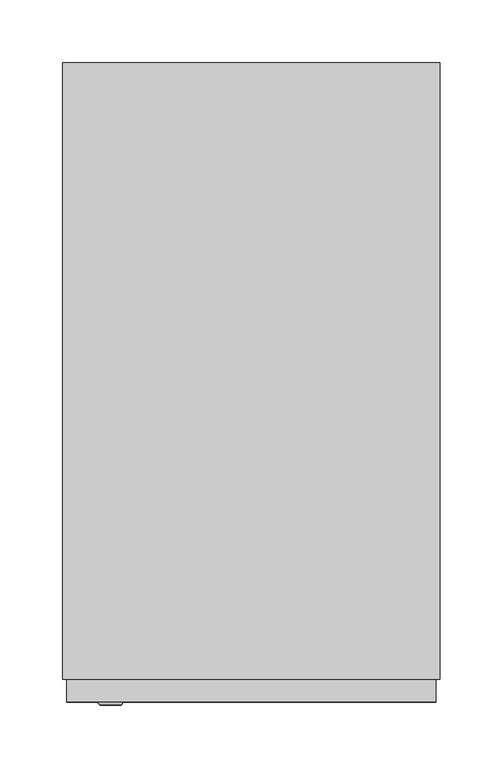
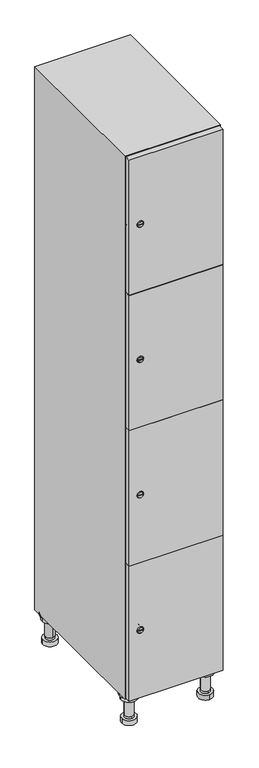
"""IFC4 building model written with IfcOpenShell, lengths in millimetres: furniture geometry."""

from ifc_helpers import new_model, si_unit, point, frame, frame_2d, origin, place, context, project, spatial, polyline, circle_curve, trimmed, segment, composite_curve, outline, extrude, faceted_brep, source, transform, mapped, element, save
from ifc_brep_helpers import plane_surface, cylinder_surface, revolved_surface, advanced_brep


def furniture_9fbc2687(model_context):
    return source(origin(), model_context, "Body", "SolidModel", [
        advanced_brep(
        [(70.0, -201.0, 22.0), (70.0, -201.5, 16.0), (70.0, -228.5, 16.0), (70.0, -229.0, 22.0), (56.0, -215.0, 22.0), (84.0, -215.0, 22.0), (70.0, -192.5, 16.0), (70.0, -237.5, 16.0), (70.0, -192.5, 0.0), (70.0, -237.5, 0.0), (84.0, -215.0, 78.0), (56.0, -215.0, 78.0), (95.0, -215.0, 78.0), (45.0, -215.0, 78.0), (100.0, -215.0, 94.0), (40.0, -215.0, 94.0), (45.0, -215.0, 94.0), (95.0, -215.0, 94.0), (100.0, -215.0, 100.0), (40.0, -215.0, 100.0)],
        [
            (0, 1),
            (1, 2, circle_curve(frame((70.0, -215.0, 16.0), z_axis=(0.0, 0.0, 1.0), x_axis=(0.0, -1.0, 0.0)), 13.5)),
            (2, 3),
            (3, 4, circle_curve(frame((70.0, -215.0, 22.0), z_axis=(0.0, 0.0, -1.0), x_axis=(0.0, -1.0, 0.0)), 14.0)),
            (4, 0, circle_curve(frame((70.0, -215.0, 22.0), z_axis=(0.0, 0.0, -1.0), x_axis=(0.0, -1.0, 0.0)), 14.0)),
            (0, 5, circle_curve(frame((70.0, -215.0, 22.0), z_axis=(0.0, 0.0, -1.0), x_axis=(0.0, 1.0, 0.0)), 14.0)),
            (5, 3, circle_curve(frame((70.0, -215.0, 22.0), z_axis=(0.0, 0.0, -1.0), x_axis=(0.0, 1.0, 0.0)), 14.0)),
            (2, 1, circle_curve(frame((70.0, -215.0, 16.0), z_axis=(0.0, 0.0, 1.0), x_axis=(0.0, 1.0, 0.0)), 13.5)),
            (6, 7, circle_curve(frame((70.0, -215.0, 16.0), z_axis=(0.0, 0.0, 1.0), x_axis=(0.0, -1.0, 0.0)), 22.5)),
            (7, 6, circle_curve(frame((70.0, -215.0, 16.0), z_axis=(0.0, 0.0, 1.0), x_axis=(0.0, -1.0, 0.0)), 22.5)),
            (8, 9, circle_curve(frame((70.0, -215.0, 0.0), z_axis=(0.0, 0.0, -1.0), x_axis=(0.0, -1.0, 0.0)), 22.5)),
            (9, 8, circle_curve(frame((70.0, -215.0, 0.0), z_axis=(0.0, 0.0, -1.0), x_axis=(0.0, -1.0, 0.0)), 22.5)),
            (6, 8),
            (9, 7),
            (5, 10),
            (10, 11, circle_curve(frame((70.0, -215.0, 78.0), z_axis=(0.0, 0.0, -1.0), x_axis=(-1.0, 0.0, 0.0)), 14.0)),
            (11, 4),
            (11, 10, circle_curve(frame((70.0, -215.0, 78.0), z_axis=(0.0, 0.0, -1.0), x_axis=(-1.0, 0.0, 0.0)), 14.0)),
            (12, 13, circle_curve(frame((70.0, -215.0, 78.0), z_axis=(0.0, 0.0, -1.0), x_axis=(-1.0, 0.0, 0.0)), 25.0)),
            (13, 12, circle_curve(frame((70.0, -215.0, 78.0), z_axis=(0.0, 0.0, -1.0), x_axis=(-1.0, 0.0, 0.0)), 25.0)),
            (14, 15, circle_curve(frame((70.0, -215.0, 94.0), z_axis=(0.0, 0.0, -1.0), x_axis=(-1.0, 0.0, 0.0)), 30.0)),
            (15, 14, circle_curve(frame((70.0, -215.0, 94.0), z_axis=(0.0, 0.0, -1.0), x_axis=(-1.0, 0.0, 0.0)), 30.0)),
            (16, 17, circle_curve(frame((70.0, -215.0, 94.0), z_axis=(0.0, 0.0, 1.0), x_axis=(-1.0, 0.0, 0.0)), 25.0)),
            (17, 16, circle_curve(frame((70.0, -215.0, 94.0), z_axis=(0.0, 0.0, 1.0), x_axis=(-1.0, 0.0, 0.0)), 25.0)),
            (18, 19, circle_curve(frame((70.0, -215.0, 100.0), z_axis=(0.0, 0.0, 1.0), x_axis=(-1.0, 0.0, 0.0)), 30.0)),
            (19, 18, circle_curve(frame((70.0, -215.0, 100.0), z_axis=(0.0, 0.0, 1.0), x_axis=(-1.0, 0.0, 0.0)), 30.0)),
            (14, 18),
            (19, 15),
            (12, 17),
            (16, 13),
        ],
        [
            revolved_surface(polyline([(70.0, -201.5, 16.0), (70.0, -201.0, 22.0)]), (70.0, -215.0, -146.0), (0.0, 0.0, 1.0)),
            plane_surface(frame((70.0, 0.0, 16.0), z_axis=(0.0, 0.0, 1.0), x_axis=(0.0, -1.0, 0.0))),
            plane_surface(frame((70.0, 0.0, 0.0), z_axis=(0.0, 0.0, -1.0), x_axis=(0.0, -1.0, 0.0))),
            cylinder_surface(frame((70.0, -215.0, 16.0), z_axis=(0.0, 0.0, 1.0), x_axis=(0.0, -1.0, 0.0)), 22.5),
            cylinder_surface(frame((70.0, -215.0, 22.0), z_axis=(0.0, 0.0, -1.0), x_axis=(-1.0, 0.0, 0.0)), 14.0),
            plane_surface(frame((70.0, 0.0, 78.0), z_axis=(0.0, 0.0, -1.0), x_axis=(0.0, -1.0, 0.0))),
            plane_surface(frame((70.0, 0.0, 94.0), z_axis=(0.0, 0.0, -1.0), x_axis=(0.0, -1.0, 0.0))),
            plane_surface(frame((70.0, 0.0, 100.0), z_axis=(0.0, 0.0, 1.0), x_axis=(0.0, -1.0, 0.0))),
            cylinder_surface(frame((70.0, -215.0, 94.0), z_axis=(0.0, 0.0, -1.0), x_axis=(-1.0, 0.0, 0.0)), 30.0),
            cylinder_surface(frame((70.0, -215.0, 78.0), z_axis=(0.0, 0.0, -1.0), x_axis=(-1.0, 0.0, 0.0)), 25.0),
        ],
        [
            (0, [[1, 2, 3, 4, 5]]),
            (0, [[-1, 6, 7, -3, 8]]),
            (1, [[9, 10], [-2, -8]]),
            (2, [[11, 12]]),
            (3, [[-9, 13, -12, 14]]),
            (3, [[-10, -14, -11, -13]]),
            (4, [[15, 16, 17, -4, -7]]),
            (4, [[-15, -6, -5, -17, 18]]),
            (5, [[19, 20], [-16, -18]]),
            (6, [[21, 22], [23, 24]]),
            (7, [[25, 26]]),
            (8, [[-21, 27, -26, 28]]),
            (8, [[-22, -28, -25, -27]]),
            (9, [[-19, 29, -23, 30]]),
            (9, [[-20, -30, -24, -29]]),
        ],
    ),
        advanced_brep(
        [(-170.0, -201.0, 22.0), (-170.0, -201.5, 16.0), (-170.0, -228.5, 16.0), (-170.0, -229.0, 22.0), (-184.0, -215.0, 22.0), (-156.0, -215.0, 22.0), (-147.5, -215.0, 0.0), (-192.5, -215.0, 0.0), (-147.5, -215.0, 16.0), (-192.5, -215.0, 16.0), (-156.0, -215.0, 78.0), (-184.0, -215.0, 78.0), (-145.0, -215.0, 78.0), (-195.0, -215.0, 78.0), (-140.0, -215.0, 94.0), (-200.0, -215.0, 94.0), (-195.0, -215.0, 94.0), (-145.0, -215.0, 94.0), (-140.0, -215.0, 100.0), (-200.0, -215.0, 100.0)],
        [
            (0, 1),
            (1, 2, circle_curve(frame((-170.0, -215.0, 16.0), z_axis=(0.0, 0.0, 1.0), x_axis=(0.0, -1.0, 0.0)), 13.5)),
            (2, 3),
            (3, 4, circle_curve(frame((-170.0, -215.0, 22.0), z_axis=(0.0, 0.0, -1.0), x_axis=(0.0, -1.0, 0.0)), 14.0)),
            (4, 0, circle_curve(frame((-170.0, -215.0, 22.0), z_axis=(0.0, 0.0, -1.0), x_axis=(0.0, -1.0, 0.0)), 14.0)),
            (0, 5, circle_curve(frame((-170.0, -215.0, 22.0), z_axis=(0.0, 0.0, -1.0), x_axis=(0.0, 1.0, 0.0)), 14.0)),
            (5, 3, circle_curve(frame((-170.0, -215.0, 22.0), z_axis=(0.0, 0.0, -1.0), x_axis=(0.0, 1.0, 0.0)), 14.0)),
            (2, 1, circle_curve(frame((-170.0, -215.0, 16.0), z_axis=(0.0, 0.0, 1.0), x_axis=(0.0, 1.0, 0.0)), 13.5)),
            (6, 7, circle_curve(frame((-170.0, -215.0, 0.0), z_axis=(0.0, 0.0, -1.0), x_axis=(-1.0, 0.0, 0.0)), 22.5)),
            (7, 6, circle_curve(frame((-170.0, -215.0, 0.0), z_axis=(0.0, 0.0, -1.0), x_axis=(-1.0, 0.0, 0.0)), 22.5)),
            (8, 9, circle_curve(frame((-170.0, -215.0, 16.0), z_axis=(0.0, 0.0, 1.0), x_axis=(-1.0, 0.0, 0.0)), 22.5)),
            (9, 8, circle_curve(frame((-170.0, -215.0, 16.0), z_axis=(0.0, 0.0, 1.0), x_axis=(-1.0, 0.0, 0.0)), 22.5)),
            (6, 8),
            (9, 7),
            (5, 10),
            (10, 11, circle_curve(frame((-170.0, -215.0, 78.0), z_axis=(0.0, 0.0, -1.0), x_axis=(-1.0, 0.0, 0.0)), 14.0)),
            (11, 4),
            (11, 10, circle_curve(frame((-170.0, -215.0, 78.0), z_axis=(0.0, 0.0, -1.0), x_axis=(-1.0, 0.0, 0.0)), 14.0)),
            (12, 13, circle_curve(frame((-170.0, -215.0, 78.0), z_axis=(0.0, 0.0, -1.0), x_axis=(-1.0, 0.0, 0.0)), 25.0)),
            (13, 12, circle_curve(frame((-170.0, -215.0, 78.0), z_axis=(0.0, 0.0, -1.0), x_axis=(-1.0, 0.0, 0.0)), 25.0)),
            (14, 15, circle_curve(frame((-170.0, -215.0, 94.0), z_axis=(0.0, 0.0, -1.0), x_axis=(-1.0, 0.0, 0.0)), 30.0)),
            (15, 14, circle_curve(frame((-170.0, -215.0, 94.0), z_axis=(0.0, 0.0, -1.0), x_axis=(-1.0, 0.0, 0.0)), 30.0)),
            (16, 17, circle_curve(frame((-170.0, -215.0, 94.0), z_axis=(0.0, 0.0, 1.0), x_axis=(-1.0, 0.0, 0.0)), 25.0)),
            (17, 16, circle_curve(frame((-170.0, -215.0, 94.0), z_axis=(0.0, 0.0, 1.0), x_axis=(-1.0, 0.0, 0.0)), 25.0)),
            (18, 19, circle_curve(frame((-170.0, -215.0, 100.0), z_axis=(0.0, 0.0, 1.0), x_axis=(-1.0, 0.0, 0.0)), 30.0)),
            (19, 18, circle_curve(frame((-170.0, -215.0, 100.0), z_axis=(0.0, 0.0, 1.0), x_axis=(-1.0, 0.0, 0.0)), 30.0)),
            (14, 18),
            (19, 15),
            (12, 17),
            (16, 13),
        ],
        [
            revolved_surface(polyline([(-170.0, -201.5, 16.0), (-170.0, -201.0, 22.0)]), (-170.0, -215.0, -146.0), (0.0, 0.0, 1.0)),
            plane_surface(frame((-170.0, 0.0, 0.0), z_axis=(0.0, 0.0, -1.0), x_axis=(0.0, -1.0, 0.0))),
            plane_surface(frame((-170.0, 0.0, 16.0), z_axis=(0.0, 0.0, 1.0), x_axis=(0.0, -1.0, 0.0))),
            cylinder_surface(frame((-170.0, -215.0, 0.0), z_axis=(0.0, 0.0, -1.0), x_axis=(-1.0, 0.0, 0.0)), 22.5),
            cylinder_surface(frame((-170.0, -215.0, 22.0), z_axis=(0.0, 0.0, -1.0), x_axis=(-1.0, 0.0, 0.0)), 14.0),
            plane_surface(frame((-170.0, 0.0, 78.0), z_axis=(0.0, 0.0, -1.0), x_axis=(0.0, -1.0, 0.0))),
            plane_surface(frame((-170.0, 0.0, 94.0), z_axis=(0.0, 0.0, -1.0), x_axis=(0.0, -1.0, 0.0))),
            plane_surface(frame((-170.0, 0.0, 100.0), z_axis=(0.0, 0.0, 1.0), x_axis=(0.0, -1.0, 0.0))),
            cylinder_surface(frame((-170.0, -215.0, 94.0), z_axis=(0.0, 0.0, -1.0), x_axis=(-1.0, 0.0, 0.0)), 30.0),
            cylinder_surface(frame((-170.0, -215.0, 78.0), z_axis=(0.0, 0.0, -1.0), x_axis=(-1.0, 0.0, 0.0)), 25.0),
        ],
        [
            (0, [[1, 2, 3, 4, 5]]),
            (0, [[-1, 6, 7, -3, 8]]),
            (1, [[9, 10]]),
            (2, [[11, 12], [-2, -8]]),
            (3, [[-9, 13, -12, 14]]),
            (3, [[-10, -14, -11, -13]]),
            (4, [[15, 16, 17, -4, -7]]),
            (4, [[-15, -6, -5, -17, 18]]),
            (5, [[19, 20], [-16, -18]]),
            (6, [[21, 22], [23, 24]]),
            (7, [[25, 26]]),
            (8, [[-21, 27, -26, 28]]),
            (8, [[-22, -28, -25, -27]]),
            (9, [[-19, 29, -23, 30]]),
            (9, [[-20, -30, -24, -29]]),
        ],
    ),
        advanced_brep(
        [(83.5, 215.0, 16.0), (84.0, 215.0, 22.0), (56.0, 215.0, 22.0), (56.5, 215.0, 16.0), (92.5, 215.0, 0.0), (47.5, 215.0, 0.0), (92.5, 215.0, 16.0), (47.5, 215.0, 16.0), (84.0, 215.0, 78.0), (56.0, 215.0, 78.0), (95.0, 215.0, 78.0), (45.0, 215.0, 78.0), (100.0, 215.0, 94.0), (40.0, 215.0, 94.0), (45.0, 215.0, 94.0), (95.0, 215.0, 94.0), (100.0, 215.0, 100.0), (40.0, 215.0, 100.0)],
        [
            (0, 1),
            (1, 2, circle_curve(frame((70.0, 215.0, 22.0), z_axis=(0.0, 0.0, -1.0), x_axis=(-1.0, 0.0, 0.0)), 14.0)),
            (2, 3),
            (3, 0, circle_curve(frame((70.0, 215.0, 16.0), z_axis=(0.0, 0.0, 1.0), x_axis=(-1.0, 0.0, 0.0)), 13.5)),
            (0, 3, circle_curve(frame((70.0, 215.0, 16.0), z_axis=(0.0, 0.0, 1.0), x_axis=(1.0, 0.0, 0.0)), 13.5)),
            (2, 1, circle_curve(frame((70.0, 215.0, 22.0), z_axis=(0.0, 0.0, -1.0), x_axis=(1.0, 0.0, 0.0)), 14.0)),
            (4, 5, circle_curve(frame((70.0, 215.0, 0.0), z_axis=(0.0, 0.0, -1.0), x_axis=(-1.0, 0.0, 0.0)), 22.5)),
            (5, 4, circle_curve(frame((70.0, 215.0, 0.0), z_axis=(0.0, 0.0, -1.0), x_axis=(-1.0, 0.0, 0.0)), 22.5)),
            (6, 7, circle_curve(frame((70.0, 215.0, 16.0), z_axis=(0.0, 0.0, 1.0), x_axis=(-1.0, 0.0, 0.0)), 22.5)),
            (7, 6, circle_curve(frame((70.0, 215.0, 16.0), z_axis=(0.0, 0.0, 1.0), x_axis=(-1.0, 0.0, 0.0)), 22.5)),
            (4, 6),
            (7, 5),
            (1, 8),
            (8, 9, circle_curve(frame((70.0, 215.0, 78.0), z_axis=(0.0, 0.0, -1.0), x_axis=(-1.0, 0.0, 0.0)), 14.0)),
            (9, 2),
            (9, 8, circle_curve(frame((70.0, 215.0, 78.0), z_axis=(0.0, 0.0, -1.0), x_axis=(-1.0, 0.0, 0.0)), 14.0)),
            (10, 11, circle_curve(frame((70.0, 215.0, 78.0), z_axis=(0.0, 0.0, -1.0), x_axis=(-1.0, 0.0, 0.0)), 25.0)),
            (11, 10, circle_curve(frame((70.0, 215.0, 78.0), z_axis=(0.0, 0.0, -1.0), x_axis=(-1.0, 0.0, 0.0)), 25.0)),
            (12, 13, circle_curve(frame((70.0, 215.0, 94.0), z_axis=(0.0, 0.0, -1.0), x_axis=(-1.0, 0.0, 0.0)), 30.0)),
            (13, 12, circle_curve(frame((70.0, 215.0, 94.0), z_axis=(0.0, 0.0, -1.0), x_axis=(-1.0, 0.0, 0.0)), 30.0)),
            (14, 15, circle_curve(frame((70.0, 215.0, 94.0), z_axis=(0.0, 0.0, 1.0), x_axis=(-1.0, 0.0, 0.0)), 25.0)),
            (15, 14, circle_curve(frame((70.0, 215.0, 94.0), z_axis=(0.0, 0.0, 1.0), x_axis=(-1.0, 0.0, 0.0)), 25.0)),
            (16, 17, circle_curve(frame((70.0, 215.0, 100.0), z_axis=(0.0, 0.0, 1.0), x_axis=(-1.0, 0.0, 0.0)), 30.0)),
            (17, 16, circle_curve(frame((70.0, 215.0, 100.0), z_axis=(0.0, 0.0, 1.0), x_axis=(-1.0, 0.0, 0.0)), 30.0)),
            (12, 16),
            (17, 13),
            (10, 15),
            (14, 11),
        ],
        [
            revolved_surface(polyline([(83.5, 215.0, 16.0), (84.0, 215.0, 22.0)]), (70.0, 215.0, -146.0), (0.0, 0.0, 1.0)),
            plane_surface(frame((70.0, 0.0, 0.0), z_axis=(0.0, 0.0, -1.0), x_axis=(0.0, -1.0, 0.0))),
            plane_surface(frame((70.0, 0.0, 16.0), z_axis=(0.0, 0.0, 1.0), x_axis=(0.0, -1.0, 0.0))),
            cylinder_surface(frame((70.0, 215.0, 0.0), z_axis=(0.0, 0.0, -1.0), x_axis=(-1.0, 0.0, 0.0)), 22.5),
            cylinder_surface(frame((70.0, 215.0, 22.0), z_axis=(0.0, 0.0, -1.0), x_axis=(-1.0, 0.0, 0.0)), 14.0),
            plane_surface(frame((70.0, 0.0, 78.0), z_axis=(0.0, 0.0, -1.0), x_axis=(0.0, -1.0, 0.0))),
            plane_surface(frame((70.0, 0.0, 94.0), z_axis=(0.0, 0.0, -1.0), x_axis=(0.0, -1.0, 0.0))),
            plane_surface(frame((70.0, 0.0, 100.0), z_axis=(0.0, 0.0, 1.0), x_axis=(0.0, -1.0, 0.0))),
            cylinder_surface(frame((70.0, 215.0, 94.0), z_axis=(0.0, 0.0, -1.0), x_axis=(-1.0, 0.0, 0.0)), 30.0),
            cylinder_surface(frame((70.0, 215.0, 78.0), z_axis=(0.0, 0.0, -1.0), x_axis=(-1.0, 0.0, 0.0)), 25.0),
        ],
        [
            (0, [[1, 2, 3, 4]]),
            (0, [[-1, 5, -3, 6]]),
            (1, [[7, 8]]),
            (2, [[9, 10], [-4, -5]]),
            (3, [[-7, 11, -10, 12]]),
            (3, [[-8, -12, -9, -11]]),
            (4, [[13, 14, 15, -2]]),
            (4, [[-13, -6, -15, 16]]),
            (5, [[17, 18], [-14, -16]]),
            (6, [[19, 20], [21, 22]]),
            (7, [[23, 24]]),
            (8, [[-19, 25, -24, 26]]),
            (8, [[-20, -26, -23, -25]]),
            (9, [[-17, 27, -21, 28]]),
            (9, [[-18, -28, -22, -27]]),
        ],
    ),
        advanced_brep(
        [(-156.5, 215.0, 16.0), (-156.0, 215.0, 22.0), (-170.0, 201.0, 22.0), (-184.0, 215.0, 22.0), (-183.5, 215.0, 16.0), (-170.0, 229.0, 22.0), (-147.5, 215.0, 0.0), (-192.5, 215.0, 0.0), (-147.5, 215.0, 16.0), (-192.5, 215.0, 16.0), (-170.0, 229.0, 78.0), (-170.0, 201.0, 78.0), (-145.0, 215.0, 78.0), (-195.0, 215.0, 78.0), (-140.0, 215.0, 94.0), (-200.0, 215.0, 94.0), (-195.0, 215.0, 94.0), (-145.0, 215.0, 94.0), (-140.0, 215.0, 100.0), (-200.0, 215.0, 100.0)],
        [
            (0, 1),
            (1, 2, circle_curve(frame((-170.0, 215.0, 22.0), z_axis=(0.0, 0.0, -1.0), x_axis=(-1.0, 0.0, 0.0)), 14.0)),
            (2, 3, circle_curve(frame((-170.0, 215.0, 22.0), z_axis=(0.0, 0.0, -1.0), x_axis=(-1.0, 0.0, 0.0)), 14.0)),
            (3, 4),
            (4, 0, circle_curve(frame((-170.0, 215.0, 16.0), z_axis=(0.0, 0.0, 1.0), x_axis=(-1.0, 0.0, 0.0)), 13.5)),
            (0, 4, circle_curve(frame((-170.0, 215.0, 16.0), z_axis=(0.0, 0.0, 1.0), x_axis=(1.0, 0.0, 0.0)), 13.5)),
            (3, 5, circle_curve(frame((-170.0, 215.0, 22.0), z_axis=(0.0, 0.0, -1.0), x_axis=(1.0, 0.0, 0.0)), 14.0)),
            (5, 1, circle_curve(frame((-170.0, 215.0, 22.0), z_axis=(0.0, 0.0, -1.0), x_axis=(1.0, 0.0, 0.0)), 14.0)),
            (6, 7, circle_curve(frame((-170.0, 215.0, 0.0), z_axis=(0.0, 0.0, -1.0), x_axis=(-1.0, 0.0, 0.0)), 22.5)),
            (7, 6, circle_curve(frame((-170.0, 215.0, 0.0), z_axis=(0.0, 0.0, -1.0), x_axis=(-1.0, 0.0, 0.0)), 22.5)),
            (8, 9, circle_curve(frame((-170.0, 215.0, 16.0), z_axis=(0.0, 0.0, 1.0), x_axis=(-1.0, 0.0, 0.0)), 22.5)),
            (9, 8, circle_curve(frame((-170.0, 215.0, 16.0), z_axis=(0.0, 0.0, 1.0), x_axis=(-1.0, 0.0, 0.0)), 22.5)),
            (6, 8),
            (9, 7),
            (10, 5),
            (2, 11),
            (11, 10, circle_curve(frame((-170.0, 215.0, 78.0), z_axis=(0.0, 0.0, -1.0), x_axis=(0.0, -1.0, 0.0)), 14.0)),
            (10, 11, circle_curve(frame((-170.0, 215.0, 78.0), z_axis=(0.0, 0.0, -1.0), x_axis=(0.0, -1.0, 0.0)), 14.0)),
            (12, 13, circle_curve(frame((-170.0, 215.0, 78.0), z_axis=(0.0, 0.0, -1.0), x_axis=(-1.0, 0.0, 0.0)), 25.0)),
            (13, 12, circle_curve(frame((-170.0, 215.0, 78.0), z_axis=(0.0, 0.0, -1.0), x_axis=(-1.0, 0.0, 0.0)), 25.0)),
            (14, 15, circle_curve(frame((-170.0, 215.0, 94.0), z_axis=(0.0, 0.0, -1.0), x_axis=(-1.0, 0.0, 0.0)), 30.0)),
            (15, 14, circle_curve(frame((-170.0, 215.0, 94.0), z_axis=(0.0, 0.0, -1.0), x_axis=(-1.0, 0.0, 0.0)), 30.0)),
            (16, 17, circle_curve(frame((-170.0, 215.0, 94.0), z_axis=(0.0, 0.0, 1.0), x_axis=(-1.0, 0.0, 0.0)), 25.0)),
            (17, 16, circle_curve(frame((-170.0, 215.0, 94.0), z_axis=(0.0, 0.0, 1.0), x_axis=(-1.0, 0.0, 0.0)), 25.0)),
            (18, 19, circle_curve(frame((-170.0, 215.0, 100.0), z_axis=(0.0, 0.0, 1.0), x_axis=(-1.0, 0.0, 0.0)), 30.0)),
            (19, 18, circle_curve(frame((-170.0, 215.0, 100.0), z_axis=(0.0, 0.0, 1.0), x_axis=(-1.0, 0.0, 0.0)), 30.0)),
            (14, 18),
            (19, 15),
            (12, 17),
            (16, 13),
        ],
        [
            revolved_surface(polyline([(-156.5, 215.0, 16.0), (-156.0, 215.0, 22.0)]), (-170.0, 215.0, -146.0), (0.0, 0.0, 1.0)),
            plane_surface(frame((-170.0, 0.0, 0.0), z_axis=(0.0, 0.0, -1.0), x_axis=(0.0, -1.0, 0.0))),
            plane_surface(frame((-170.0, 0.0, 16.0), z_axis=(0.0, 0.0, 1.0), x_axis=(0.0, -1.0, 0.0))),
            cylinder_surface(frame((-170.0, 215.0, 0.0), z_axis=(0.0, 0.0, -1.0), x_axis=(-1.0, 0.0, 0.0)), 22.5),
            cylinder_surface(frame((-170.0, 215.0, 78.0), z_axis=(0.0, 0.0, 1.0), x_axis=(0.0, -1.0, 0.0)), 14.0),
            plane_surface(frame((-170.0, 0.0, 78.0), z_axis=(0.0, 0.0, -1.0), x_axis=(0.0, -1.0, 0.0))),
            plane_surface(frame((-170.0, 0.0, 94.0), z_axis=(0.0, 0.0, -1.0), x_axis=(0.0, -1.0, 0.0))),
            plane_surface(frame((-170.0, 0.0, 100.0), z_axis=(0.0, 0.0, 1.0), x_axis=(0.0, -1.0, 0.0))),
            cylinder_surface(frame((-170.0, 215.0, 94.0), z_axis=(0.0, 0.0, -1.0), x_axis=(-1.0, 0.0, 0.0)), 30.0),
            cylinder_surface(frame((-170.0, 215.0, 78.0), z_axis=(0.0, 0.0, -1.0), x_axis=(-1.0, 0.0, 0.0)), 25.0),
        ],
        [
            (0, [[1, 2, 3, 4, 5]]),
            (0, [[-1, 6, -4, 7, 8]]),
            (1, [[9, 10]]),
            (2, [[11, 12], [-5, -6]]),
            (3, [[-9, 13, -12, 14]]),
            (3, [[-10, -14, -11, -13]]),
            (4, [[15, -7, -3, 16, 17]]),
            (4, [[-15, 18, -16, -2, -8]]),
            (5, [[19, 20], [-17, -18]]),
            (6, [[21, 22], [23, 24]]),
            (7, [[25, 26]]),
            (8, [[-21, 27, -26, 28]]),
            (8, [[-22, -28, -25, -27]]),
            (9, [[-19, 29, -23, 30]]),
            (9, [[-20, -30, -24, -29]]),
        ],
    ),
        extrude(outline(composite_curve([segment(trimmed(circle_curve(frame_2d((327.25, -188.7989466)), 7.0), [point((334.25, -188.7989466))], [point((320.25, -188.7989466))], False, "CARTESIAN"), True, "CONTINUOUS"), segment(polyline([(320.25, -188.7989466), (320.25, -160.7989466)]), True, "CONTINUOUS"), segment(trimmed(circle_curve(frame_2d((327.25, -160.7989466)), 7.0), [point((320.25, -160.7989466))], [point((334.25, -160.7989466))], False, "CARTESIAN"), True, "CONTINUOUS"), segment(polyline([(334.25, -160.7989466), (334.25, -188.7989466)]), True, "CONTINUOUS")], self_intersect=False)), frame((0.0, -245.0, 0.0), z_axis=(0.0, 1.0, 0.0), x_axis=(0.0, 0.0, 1.0)), (0.0, 0.0, 1.0), 2.0),
        advanced_brep(
        [(-153.5, -265.2, 327.25), (-170.5, -265.2, 327.25), (-167.0, -265.2, 326.0), (-167.0, -265.2, 328.5), (-157.0, -265.2, 328.5), (-157.0, -265.2, 326.0), (-151.5, -263.0, 327.25), (-172.5, -263.0, 327.25), (-167.0, -263.0, 328.5), (-167.0, -263.0, 326.0), (-157.0, -263.0, 326.0), (-157.0, -263.0, 328.5)],
        [
            (0, 1, circle_curve(frame((-162.0, -265.2, 327.25), z_axis=(0.0, -1.0, 0.0), x_axis=(1.0, 0.0, 0.0)), 8.5)),
            (1, 0, circle_curve(frame((-162.0, -265.2, 327.25), z_axis=(0.0, -1.0, 0.0), x_axis=(-1.0, 0.0, 0.0)), 8.5)),
            (2, 3),
            (3, 4),
            (4, 5),
            (5, 2),
            (6, 7, circle_curve(frame((-162.0, -263.0, 327.25), z_axis=(0.0, 1.0, 0.0), x_axis=(-1.0, 0.0, 0.0)), 10.5)),
            (7, 6, circle_curve(frame((-162.0, -263.0, 327.25), z_axis=(0.0, 1.0, 0.0), x_axis=(1.0, 0.0, 0.0)), 10.5)),
            (8, 9),
            (9, 10),
            (10, 11),
            (11, 8),
            (0, 6),
            (7, 1),
            (8, 3),
            (2, 9),
            (11, 4),
            (10, 5),
        ],
        [
            plane_surface(frame((-162.0, -265.2, 327.25), z_axis=(0.0, -1.0, 0.0), x_axis=(0.0, 0.0, 1.0))),
            plane_surface(frame((-162.0, -263.0, 327.25), z_axis=(0.0, 1.0, 0.0), x_axis=(0.0, 0.0, 1.0))),
            revolved_surface(polyline([(-153.5, -265.2, 327.25), (-151.5, -263.0, 327.25)]), (-162.0, -274.55, 327.25), (0.0, 1.0, 0.0)),
            revolved_surface(polyline([(-170.5, -265.2, 327.25), (-172.5, -263.0, 327.25)]), (-162.0, -274.55, 327.25), (0.0, 1.0, 0.0)),
            plane_surface(frame((-167.0, -263.0, 326.0), z_axis=(1.0, 0.0, 0.0), x_axis=(0.0, -1.0, 0.0))),
            plane_surface(frame((-167.0, -263.0, 328.5), z_axis=(0.0, 0.0, -1.0), x_axis=(0.0, -1.0, 0.0))),
            plane_surface(frame((-157.0, -263.0, 328.5), z_axis=(-1.0, 0.0, 0.0), x_axis=(0.0, -1.0, 0.0))),
            plane_surface(frame((-157.0, -263.0, 326.0), z_axis=(0.0, 0.0, 1.0), x_axis=(0.0, -1.0, 0.0))),
        ],
        [
            (0, [[1, 2], [3, 4, 5, 6]]),
            (1, [[7, 8], [9, 10, 11, 12]]),
            (2, [[-1, 13, -8, 14]]),
            (3, [[-2, -14, -7, -13]]),
            (4, [[15, -3, 16, -9]]),
            (5, [[-15, -12, 17, -4]]),
            (6, [[-17, -11, 18, -5]]),
            (7, [[-16, -6, -18, -10]]),
        ],
    ),
        extrude(outline(composite_curve([segment(trimmed(circle_curve(frame_2d((775.75, -188.7989466)), 7.0), [point((782.75, -188.7989466))], [point((768.75, -188.7989466))], False, "CARTESIAN"), True, "CONTINUOUS"), segment(polyline([(768.75, -188.7989466), (768.75, -160.7989466)]), True, "CONTINUOUS"), segment(trimmed(circle_curve(frame_2d((775.75, -160.7989466)), 7.0), [point((768.75, -160.7989466))], [point((782.75, -160.7989466))], False, "CARTESIAN"), True, "CONTINUOUS"), segment(polyline([(782.75, -160.7989466), (782.75, -188.7989466)]), True, "CONTINUOUS")], self_intersect=False)), frame((0.0, -245.0, 0.0), z_axis=(0.0, 1.0, 0.0), x_axis=(0.0, 0.0, 1.0)), (0.0, 0.0, 1.0), 2.0),
        advanced_brep(
        [(-153.5, -265.2, 775.75), (-170.5, -265.2, 775.75), (-167.0, -265.2, 774.5), (-167.0, -265.2, 777.0), (-157.0, -265.2, 777.0), (-157.0, -265.2, 774.5), (-151.5, -263.0, 775.75), (-172.5, -263.0, 775.75), (-167.0, -263.0, 777.0), (-167.0, -263.0, 774.5), (-157.0, -263.0, 774.5), (-157.0, -263.0, 777.0)],
        [
            (0, 1, circle_curve(frame((-162.0, -265.2, 775.75), z_axis=(0.0, -1.0, 0.0), x_axis=(1.0, 0.0, 0.0)), 8.5)),
            (1, 0, circle_curve(frame((-162.0, -265.2, 775.75), z_axis=(0.0, -1.0, 0.0), x_axis=(-1.0, 0.0, 0.0)), 8.5)),
            (2, 3),
            (3, 4),
            (4, 5),
            (5, 2),
            (6, 7, circle_curve(frame((-162.0, -263.0, 775.75), z_axis=(0.0, 1.0, 0.0), x_axis=(-1.0, 0.0, 0.0)), 10.5)),
            (7, 6, circle_curve(frame((-162.0, -263.0, 775.75), z_axis=(0.0, 1.0, 0.0), x_axis=(1.0, 0.0, 0.0)), 10.5)),
            (8, 9),
            (9, 10),
            (10, 11),
            (11, 8),
            (0, 6),
            (7, 1),
            (8, 3),
            (2, 9),
            (11, 4),
            (10, 5),
        ],
        [
            plane_surface(frame((-162.0, -265.2, 775.75), z_axis=(0.0, -1.0, 0.0), x_axis=(0.0, 0.0, 1.0))),
            plane_surface(frame((-162.0, -263.0, 775.75), z_axis=(0.0, 1.0, 0.0), x_axis=(0.0, 0.0, 1.0))),
            revolved_surface(polyline([(-153.5, -265.2, 775.75), (-151.5, -263.0, 775.75)]), (-162.0, -274.55, 775.75), (0.0, 1.0, 0.0)),
            revolved_surface(polyline([(-170.5, -265.2, 775.75), (-172.5, -263.0, 775.75)]), (-162.0, -274.55, 775.75), (0.0, 1.0, 0.0)),
            plane_surface(frame((-167.0, -263.0, 774.5), z_axis=(1.0, 0.0, 0.0), x_axis=(0.0, -1.0, 0.0))),
            plane_surface(frame((-167.0, -263.0, 777.0), z_axis=(0.0, 0.0, -1.0), x_axis=(0.0, -1.0, 0.0))),
            plane_surface(frame((-157.0, -263.0, 777.0), z_axis=(-1.0, 0.0, 0.0), x_axis=(0.0, -1.0, 0.0))),
            plane_surface(frame((-157.0, -263.0, 774.5), z_axis=(0.0, 0.0, 1.0), x_axis=(0.0, -1.0, 0.0))),
        ],
        [
            (0, [[1, 2], [3, 4, 5, 6]]),
            (1, [[7, 8], [9, 10, 11, 12]]),
            (2, [[-1, 13, -8, 14]]),
            (3, [[-2, -14, -7, -13]]),
            (4, [[15, -3, 16, -9]]),
            (5, [[-15, -12, 17, -4]]),
            (6, [[-17, -11, 18, -5]]),
            (7, [[-16, -6, -18, -10]]),
        ],
    ),
        extrude(outline(composite_curve([segment(trimmed(circle_curve(frame_2d((1224.25, -188.7989466)), 7.0), [point((1231.25, -188.7989466))], [point((1217.25, -188.7989466))], False, "CARTESIAN"), True, "CONTINUOUS"), segment(polyline([(1217.25, -188.7989466), (1217.25, -160.7989466)]), True, "CONTINUOUS"), segment(trimmed(circle_curve(frame_2d((1224.25, -160.7989466)), 7.0), [point((1217.25, -160.7989466))], [point((1231.25, -160.7989466))], False, "CARTESIAN"), True, "CONTINUOUS"), segment(polyline([(1231.25, -160.7989466), (1231.25, -188.7989466)]), True, "CONTINUOUS")], self_intersect=False)), frame((0.0, -245.0, 0.0), z_axis=(0.0, 1.0, 0.0), x_axis=(0.0, 0.0, 1.0)), (0.0, 0.0, 1.0), 2.0),
        advanced_brep(
        [(-153.5, -265.2, 1224.25), (-170.5, -265.2, 1224.25), (-167.0, -265.2, 1223.0), (-167.0, -265.2, 1225.5), (-157.0, -265.2, 1225.5), (-157.0, -265.2, 1223.0), (-151.5, -263.0, 1224.25), (-172.5, -263.0, 1224.25), (-167.0, -263.0, 1225.5), (-167.0, -263.0, 1223.0), (-157.0, -263.0, 1223.0), (-157.0, -263.0, 1225.5)],
        [
            (0, 1, circle_curve(frame((-162.0, -265.2, 1224.25), z_axis=(0.0, -1.0, 0.0), x_axis=(1.0, 0.0, 0.0)), 8.5)),
            (1, 0, circle_curve(frame((-162.0, -265.2, 1224.25), z_axis=(0.0, -1.0, 0.0), x_axis=(-1.0, 0.0, 0.0)), 8.5)),
            (2, 3),
            (3, 4),
            (4, 5),
            (5, 2),
            (6, 7, circle_curve(frame((-162.0, -263.0, 1224.25), z_axis=(0.0, 1.0, 0.0), x_axis=(-1.0, 0.0, 0.0)), 10.5)),
            (7, 6, circle_curve(frame((-162.0, -263.0, 1224.25), z_axis=(0.0, 1.0, 0.0), x_axis=(1.0, 0.0, 0.0)), 10.5)),
            (8, 9),
            (9, 10),
            (10, 11),
            (11, 8),
            (0, 6),
            (7, 1),
            (8, 3),
            (2, 9),
            (11, 4),
            (10, 5),
        ],
        [
            plane_surface(frame((-162.0, -265.2, 1224.25), z_axis=(0.0, -1.0, 0.0), x_axis=(0.0, 0.0, 1.0))),
            plane_surface(frame((-162.0, -263.0, 1224.25), z_axis=(0.0, 1.0, 0.0), x_axis=(0.0, 0.0, 1.0))),
            revolved_surface(polyline([(-153.5, -265.2, 1224.25), (-151.5, -263.0, 1224.25)]), (-162.0, -274.55, 1224.25), (0.0, 1.0, 0.0)),
            revolved_surface(polyline([(-170.5, -265.2, 1224.25), (-172.5, -263.0, 1224.25)]), (-162.0, -274.55, 1224.25), (0.0, 1.0, 0.0)),
            plane_surface(frame((-167.0, -263.0, 1223.0), z_axis=(1.0, 0.0, 0.0), x_axis=(0.0, -1.0, 0.0))),
            plane_surface(frame((-167.0, -263.0, 1225.5), z_axis=(0.0, 0.0, -1.0), x_axis=(0.0, -1.0, 0.0))),
            plane_surface(frame((-157.0, -263.0, 1225.5), z_axis=(-1.0, 0.0, 0.0), x_axis=(0.0, -1.0, 0.0))),
            plane_surface(frame((-157.0, -263.0, 1223.0), z_axis=(0.0, 0.0, 1.0), x_axis=(0.0, -1.0, 0.0))),
        ],
        [
            (0, [[1, 2], [3, 4, 5, 6]]),
            (1, [[7, 8], [9, 10, 11, 12]]),
            (2, [[-1, 13, -8, 14]]),
            (3, [[-2, -14, -7, -13]]),
            (4, [[15, -3, 16, -9]]),
            (5, [[-15, -12, 17, -4]]),
            (6, [[-17, -11, 18, -5]]),
            (7, [[-16, -6, -18, -10]]),
        ],
    ),
        extrude(outline(composite_curve([segment(trimmed(circle_curve(frame_2d((1672.75, -188.7989466)), 7.0), [point((1679.75, -188.7989466))], [point((1665.75, -188.7989466))], False, "CARTESIAN"), True, "CONTINUOUS"), segment(polyline([(1665.75, -188.7989466), (1665.75, -160.7989466)]), True, "CONTINUOUS"), segment(trimmed(circle_curve(frame_2d((1672.75, -160.7989466)), 7.0), [point((1665.75, -160.7989466))], [point((1679.75, -160.7989466))], False, "CARTESIAN"), True, "CONTINUOUS"), segment(polyline([(1679.75, -160.7989466), (1679.75, -188.7989466)]), True, "CONTINUOUS")], self_intersect=False)), frame((0.0, -245.0, 0.0), z_axis=(0.0, 1.0, 0.0), x_axis=(0.0, 0.0, 1.0)), (0.0, 0.0, 1.0), 2.0),
        advanced_brep(
        [(-153.5, -265.2, 1672.75), (-170.5, -265.2, 1672.75), (-167.0, -265.2, 1671.5), (-167.0, -265.2, 1674.0), (-157.0, -265.2, 1674.0), (-157.0, -265.2, 1671.5), (-151.5, -263.0, 1672.75), (-172.5, -263.0, 1672.75), (-167.0, -263.0, 1674.0), (-167.0, -263.0, 1671.5), (-157.0, -263.0, 1671.5), (-157.0, -263.0, 1674.0)],
        [
            (0, 1, circle_curve(frame((-162.0, -265.2, 1672.75), z_axis=(0.0, -1.0, 0.0), x_axis=(1.0, 0.0, 0.0)), 8.5)),
            (1, 0, circle_curve(frame((-162.0, -265.2, 1672.75), z_axis=(0.0, -1.0, 0.0), x_axis=(-1.0, 0.0, 0.0)), 8.5)),
            (2, 3),
            (3, 4),
            (4, 5),
            (5, 2),
            (6, 7, circle_curve(frame((-162.0, -263.0, 1672.75), z_axis=(0.0, 1.0, 0.0), x_axis=(-1.0, 0.0, 0.0)), 10.5)),
            (7, 6, circle_curve(frame((-162.0, -263.0, 1672.75), z_axis=(0.0, 1.0, 0.0), x_axis=(1.0, 0.0, 0.0)), 10.5)),
            (8, 9),
            (9, 10),
            (10, 11),
            (11, 8),
            (0, 6),
            (7, 1),
            (8, 3),
            (2, 9),
            (11, 4),
            (10, 5),
        ],
        [
            plane_surface(frame((-162.0, -265.2, 1672.75), z_axis=(0.0, -1.0, 0.0), x_axis=(0.0, 0.0, 1.0))),
            plane_surface(frame((-162.0, -263.0, 1672.75), z_axis=(0.0, 1.0, 0.0), x_axis=(0.0, 0.0, 1.0))),
            revolved_surface(polyline([(-153.5, -265.2, 1672.75), (-151.5, -263.0, 1672.75)]), (-162.0, -274.55, 1672.75), (0.0, 1.0, 0.0)),
            revolved_surface(polyline([(-170.5, -265.2, 1672.75), (-172.5, -263.0, 1672.75)]), (-162.0, -274.55, 1672.75), (0.0, 1.0, 0.0)),
            plane_surface(frame((-167.0, -263.0, 1671.5), z_axis=(1.0, 0.0, 0.0), x_axis=(0.0, -1.0, 0.0))),
            plane_surface(frame((-167.0, -263.0, 1674.0), z_axis=(0.0, 0.0, -1.0), x_axis=(0.0, -1.0, 0.0))),
            plane_surface(frame((-157.0, -263.0, 1674.0), z_axis=(-1.0, 0.0, 0.0), x_axis=(0.0, -1.0, 0.0))),
            plane_surface(frame((-157.0, -263.0, 1671.5), z_axis=(0.0, 0.0, 1.0), x_axis=(0.0, -1.0, 0.0))),
        ],
        [
            (0, [[1, 2], [3, 4, 5, 6]]),
            (1, [[7, 8], [9, 10, 11, 12]]),
            (2, [[-1, 13, -8, 14]]),
            (3, [[-2, -14, -7, -13]]),
            (4, [[15, -3, 16, -9]]),
            (5, [[-15, -12, 17, -4]]),
            (6, [[-17, -11, 18, -5]]),
            (7, [[-16, -6, -18, -10]]),
        ],
    ),
        extrude(outline(polyline([(97.0, -245.0), (97.0, -263.0), (-197.0, -263.0), (-197.0, -245.0), (97.0, -245.0)])), frame((0.0, 0.0, 551.0), z_axis=(0.0, 0.0, 1.0), x_axis=(1.0, 0.0, 0.0)), (0.0, 0.0, 1.0), 448.5),
        extrude(outline(polyline([(97.0, -245.0), (97.0, -263.0), (-197.0, -263.0), (-197.0, -245.0), (97.0, -245.0)])), frame((0.0, 0.0, 1000.5), z_axis=(0.0, 0.0, 1.0), x_axis=(1.0, 0.0, 0.0)), (0.0, 0.0, 1.0), 447.5),
        extrude(outline(polyline([(-197.0, -263.0), (-197.0, -245.0), (97.0, -245.0), (97.0, -263.0), (-197.0, -263.0)])), frame((0.0, 0.0, 1449.0), z_axis=(0.0, 0.0, 1.0), x_axis=(1.0, 0.0, 0.0)), (0.0, 0.0, 1.0), 448.0),
        extrude(outline(polyline([(97.0, -245.0), (97.0, -263.0), (-197.0, -263.0), (-197.0, -245.0), (97.0, -245.0)])), frame((0.0, 0.0, 103.0), z_axis=(0.0, 0.0, 1.0), x_axis=(1.0, 0.0, 0.0)), (0.0, 0.0, 1.0), 449.0),
        extrude(outline(polyline([(82.0, 227.0), (82.0, -227.0), (-182.0, -227.0), (-182.0, 227.0), (82.0, 227.0)])), frame((0.0, 0.0, 1432.0), z_axis=(0.0, 0.0, 1.0), x_axis=(1.0, 0.0, 0.0)), (0.0, 0.0, 1.0), 18.0),
        extrude(outline(polyline([(82.0, 227.0), (82.0, -227.0), (-182.0, -227.0), (-182.0, 227.0), (82.0, 227.0)])), frame((0.0, 0.0, 991.0), z_axis=(0.0, 0.0, 1.0), x_axis=(1.0, 0.0, 0.0)), (0.0, 0.0, 1.0), 18.0),
        extrude(outline(polyline([(82.0, 227.0), (82.0, -227.0), (-182.0, -227.0), (-182.0, 227.0), (82.0, 227.0)])), frame((0.0, 0.0, 550.0), z_axis=(0.0, 0.0, 1.0), x_axis=(1.0, 0.0, 0.0)), (0.0, 0.0, 1.0), 18.0),
        faceted_brep([(100.0, -245.0, 100.0), (100.0, -245.0, 1900.0), (-200.0, -245.0, 1900.0), (-200.0, -245.0, 100.0), (82.0, -245.0, 1882.0), (82.0, -245.0, 118.0), (-182.0, -245.0, 118.0), (-182.0, -245.0, 1882.0), (100.0, 245.0, 100.0), (-200.0, 245.0, 100.0), (100.0, 245.0, 1900.0), (-200.0, 245.0, 1900.0), (82.0, 227.0, 1882.0), (82.0, 227.0, 118.0), (-200.0, 245.0, 1882.0), (-182.0, 227.0, 1882.0), (-182.0, 227.0, 118.0)], [[[0, 1, 2, 3], [4, 5, 6, 7]], [[8, 0, 3, 9]], [[1, 0, 8, 10]], [[1, 10, 11, 2]], [[4, 12, 13, 5]], [[9, 3, 2, 11, 14]], [[10, 8, 9, 14, 11]], [[12, 15, 16, 13]], [[15, 7, 6, 16]], [[4, 7, 15, 12]], [[6, 5, 13, 16]]]),
    ])


if __name__ == "__main__":
    model = new_model("IFC4")
    model_context = context("Model", 3, world=origin())
    ifc_project = project(units=[si_unit("LENGTHUNIT", "METRE", prefix="MILLI")], contexts=[model_context])
    site = spatial("IfcSite", under=ifc_project)
    building = spatial("IfcBuilding", under=site)
    placement = place(None, origin())
    furniture_shape = furniture_9fbc2687(model_context)
    element("IfcFurniture", 1, at=placement, inside=building, context=model_context, shape_type="MappedRepresentation", body=[
        mapped(furniture_shape, transform((0.0, 0.0, 0.0), x_axis=(1.0, 0.0, 0.0), y_axis=(0.0, 1.0, 0.0), z_axis=(0.0, 0.0, 1.0))),
    ])
    save(model, "model.ifc")
